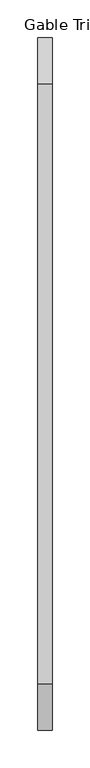
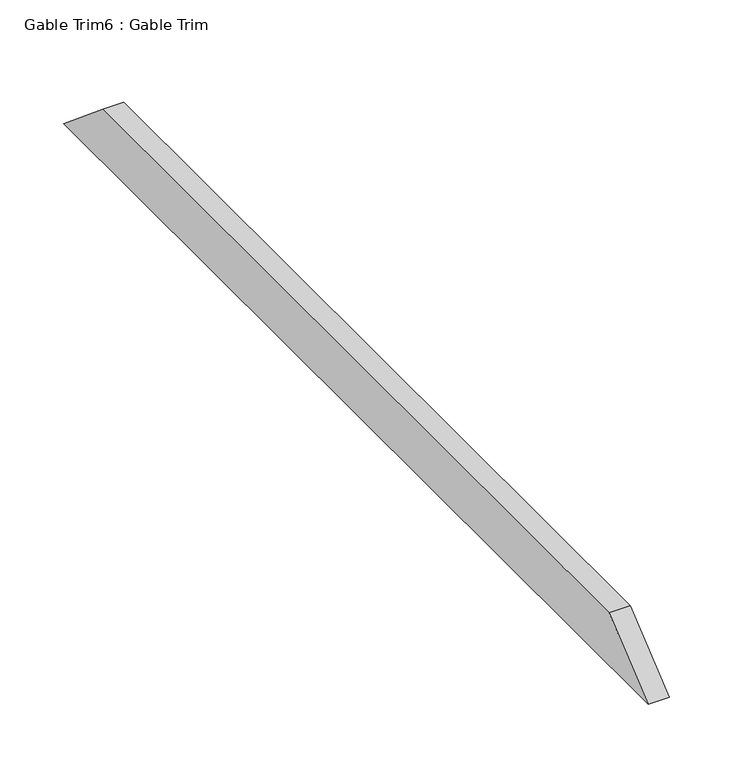
"""IFC4 building model written with IfcOpenShell, lengths in millimetres: proxy geometry, Gable Trim6 : Gable Trim."""

from ifc_helpers import new_model, si_unit, frame, origin, place, context, project, spatial, polyline, outline, extrude, source, transform, mapped, element, save


def gable_trim6_gable_trim_8cbfa215(model_context):
    return source(origin(), model_context, "Body", "SweptSolid", [
        extrude(outline(polyline([(3928.4685833, 2312.821866), (4724.0414167, 2312.821866), (4785.0014167, 2262.021866), (3867.5085833, 2262.021866), (3928.4685833, 2312.821866)])), frame((20116.8, 0.0, 0.0), z_axis=(1.0, 0.0, 0.0), x_axis=(0.0, 1.0, 0.0)), (0.0, 0.0, 1.0), 19.05),
    ])


if __name__ == "__main__":
    model = new_model("IFC4")
    model_context = context("Model", 3, world=origin())
    ifc_project = project(units=[si_unit("LENGTHUNIT", "METRE", prefix="MILLI")], contexts=[model_context])
    site = spatial("IfcSite", under=ifc_project)
    building = spatial("IfcBuilding", under=site)
    placement = place(None, origin())
    gable_trim6_gable_trim_shape = gable_trim6_gable_trim_8cbfa215(model_context)
    element("IfcBuildingElementProxy", 1, Name="Gable Trim6 : Gable Trim", ObjectType="Gable Trim6 : Gable Trim", at=placement, inside=building, context=model_context, shape_type="MappedRepresentation", body=[
        mapped(gable_trim6_gable_trim_shape, transform((0.0, 0.0, 0.0), x_axis=(1.0, 0.0, 0.0), y_axis=(0.0, 1.0, 0.0), z_axis=(0.0, 0.0, 1.0))),
    ])
    save(model, "model.ifc")
